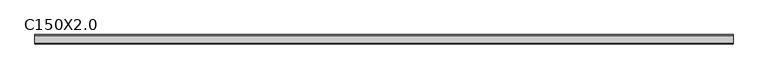
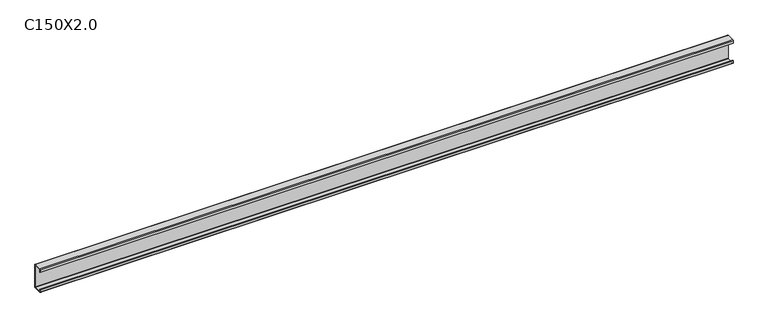
"""IFC4 building model written with IfcOpenShell, lengths in millimetres: beam geometry, C150X2.0."""

from ifc_helpers import new_model, si_unit, point, frame, frame_2d, origin, place, context, project, spatial, polyline, circle_curve, trimmed, segment, composite_curve, outline, extrude, source, transform, mapped, element, save


def c150x2_0_06eb0d29(model_context):
    return source(origin(), model_context, "Body", "SweptSolid", [
        extrude(outline(composite_curve([segment(polyline([(-25.5, 54.4545455), (-27.5, 54.4545455), (-27.5, 71.0)]), True, "CONTINUOUS"), segment(trimmed(circle_curve(frame_2d((-23.5, 71.0)), 4.0), [point((-27.5, 71.0))], [point((-23.5, 75.0))], False, "CARTESIAN"), True, "CONTINUOUS"), segment(polyline([(-23.5, 75.0), (23.5, 75.0)]), True, "CONTINUOUS"), segment(trimmed(circle_curve(frame_2d((23.5, 71.0)), 4.0), [point((23.5, 75.0))], [point((27.5, 71.0))], False, "CARTESIAN"), True, "CONTINUOUS"), segment(polyline([(27.5, 71.0), (27.5, -71.0)]), True, "CONTINUOUS"), segment(trimmed(circle_curve(frame_2d((23.5, -71.0)), 4.0), [point((27.5, -71.0))], [point((23.5, -75.0))], False, "CARTESIAN"), True, "CONTINUOUS"), segment(polyline([(23.5, -75.0), (-23.5, -75.0)]), True, "CONTINUOUS"), segment(trimmed(circle_curve(frame_2d((-23.5, -71.0)), 4.0), [point((-23.5, -75.0))], [point((-27.5, -71.0))], False, "CARTESIAN"), True, "CONTINUOUS"), segment(polyline([(-27.5, -71.0), (-27.5, -54.9772112), (-25.5, -54.9772112), (-25.5, -71.0)]), True, "CONTINUOUS"), segment(trimmed(circle_curve(frame_2d((-23.5, -71.0)), 2.0), [point((-25.5, -71.0))], [point((-23.5, -73.0))], True, "CARTESIAN"), True, "CONTINUOUS"), segment(polyline([(-23.5, -73.0), (23.5, -73.0)]), True, "CONTINUOUS"), segment(trimmed(circle_curve(frame_2d((23.5, -71.0)), 2.0), [point((23.5, -73.0))], [point((25.5, -71.0))], True, "CARTESIAN"), True, "CONTINUOUS"), segment(polyline([(25.5, -71.0), (25.5, 71.0)]), True, "CONTINUOUS"), segment(trimmed(circle_curve(frame_2d((23.5, 71.0)), 2.0), [point((25.5, 71.0))], [point((23.5, 73.0))], True, "CARTESIAN"), True, "CONTINUOUS"), segment(polyline([(23.5, 73.0), (-23.5, 73.0)]), True, "CONTINUOUS"), segment(trimmed(circle_curve(frame_2d((-23.5, 71.0)), 2.0), [point((-23.5, 73.0))], [point((-25.5, 71.0))], True, "CARTESIAN"), True, "CONTINUOUS"), segment(polyline([(-25.5, 71.0), (-25.5, 54.4545455)]), True, "CONTINUOUS")], self_intersect=False)), frame((-2162.3, 0.0, 0.0), z_axis=(1.0, 0.0, 0.0), x_axis=(0.0, 1.0, 0.0)), (0.0, 0.0, 1.0), 4174.6),
    ])


if __name__ == "__main__":
    model = new_model("IFC4")
    model_context = context("Model", 3, world=origin())
    ifc_project = project(units=[si_unit("LENGTHUNIT", "METRE", prefix="MILLI")], contexts=[model_context])
    site = spatial("IfcSite", under=ifc_project)
    building = spatial("IfcBuilding", under=site)
    placement = place(None, origin())
    c150x2_0_shape = c150x2_0_06eb0d29(model_context)
    element("IfcBeam", 1, ObjectType="C150X2.0", at=placement, inside=building, context=model_context, shape_type="MappedRepresentation", body=[
        mapped(c150x2_0_shape, transform((0.0, 0.0, 0.0), x_axis=(1.0, 0.0, 0.0), y_axis=(0.0, 1.0, 0.0), z_axis=(0.0, 0.0, 1.0))),
    ])
    save(model, "model.ifc")
